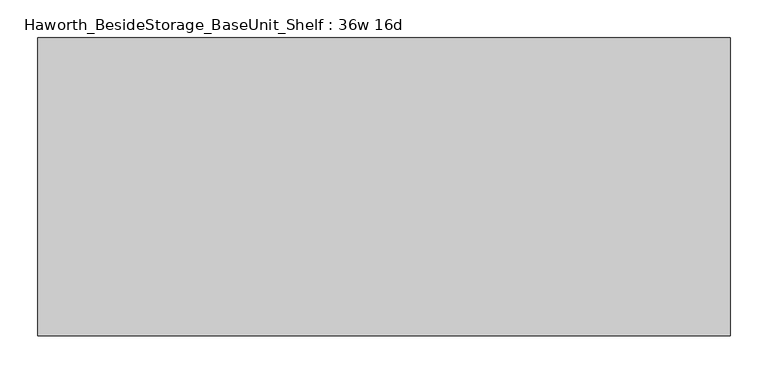
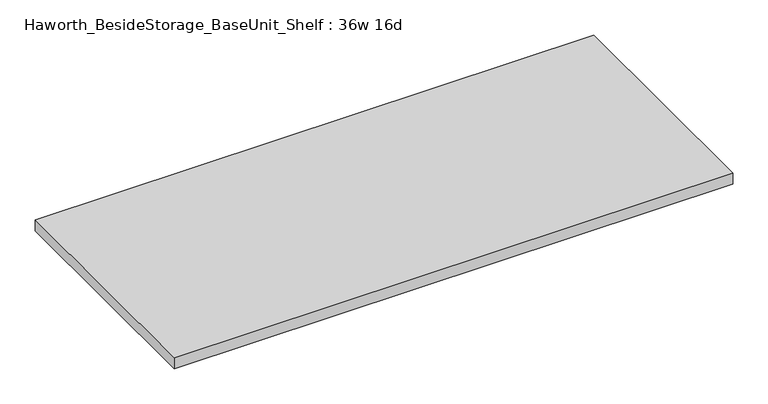
"""IFC4 building model written with IfcOpenShell, lengths in millimetres: furniture geometry, Haworth_BesideStorage_BaseUnit_Shelf : 36w 16d."""

from ifc_helpers import new_model, si_unit, frame, origin, place, context, project, spatial, polyline, outline, extrude, source, transform, mapped, element, save


def haworth_besidestorage_baseunit_shelf_36w_16d_911bfcd9(model_context):
    return source(origin(), model_context, "Body", "SweptSolid", [
        extrude(outline(polyline([(457.2, 196.85), (457.2, -196.85), (-457.2, -196.85), (-457.2, 196.85), (457.2, 196.85)])), frame((0.0, 0.0, 277.8125), z_axis=(0.0, 0.0, 1.0), x_axis=(1.0, 0.0, 0.0)), (0.0, 0.0, 1.0), 19.05),
    ])


if __name__ == "__main__":
    model = new_model("IFC4")
    model_context = context("Model", 3, world=origin())
    ifc_project = project(units=[si_unit("LENGTHUNIT", "METRE", prefix="MILLI")], contexts=[model_context])
    site = spatial("IfcSite", under=ifc_project)
    building = spatial("IfcBuilding", under=site)
    placement = place(None, origin())
    haworth_besidestorage_baseunit_shelf_36w_16d_shape = haworth_besidestorage_baseunit_shelf_36w_16d_911bfcd9(model_context)
    element("IfcFurniture", 1, ObjectType="Haworth_BesideStorage_BaseUnit_Shelf : 36w 16d", at=placement, inside=building, context=model_context, shape_type="MappedRepresentation", body=[
        mapped(haworth_besidestorage_baseunit_shelf_36w_16d_shape, transform((0.0, 0.0, 0.0), x_axis=(1.0, 0.0, 0.0), y_axis=(0.0, 1.0, 0.0), z_axis=(0.0, 0.0, 1.0))),
    ])
    save(model, "model.ifc")
